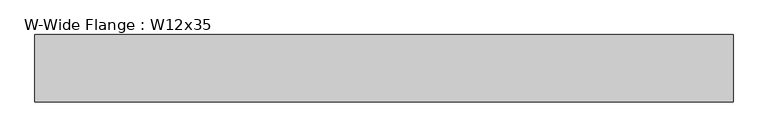
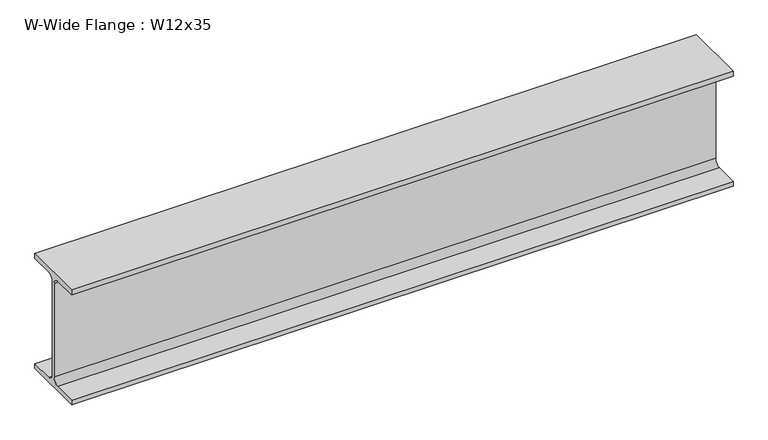
"""IFC4 building model written with IfcOpenShell, lengths in millimetres: beam geometry, W-Wide Flange : W12x35."""

from ifc_helpers import new_model, si_unit, point, frame, frame_2d, origin, place, context, project, spatial, polyline, circle_curve, trimmed, segment, composite_curve, outline, extrude, source, transform, mapped, element, save


def w_wide_flange_w12x35_80df42a0(model_context):
    return source(origin(), model_context, "Body", "SweptSolid", [
        extrude(outline(composite_curve([segment(polyline([(83.312, -145.542), (83.312, -158.75), (-83.312, -158.75), (-83.312, -145.542), (-20.7645, -145.542)]), True, "CONTINUOUS"), segment(trimmed(circle_curve(frame_2d((-20.7645, -128.5875)), 16.9545), [point((-20.7645, -145.542))], [point((-3.81, -128.5875))], True, "CARTESIAN"), True, "CONTINUOUS"), segment(polyline([(-3.81, -128.5875), (-3.81, 128.5875)]), True, "CONTINUOUS"), segment(trimmed(circle_curve(frame_2d((-20.7645, 128.5875)), 16.9545), [point((-3.81, 128.5875))], [point((-20.7645, 145.542))], True, "CARTESIAN"), True, "CONTINUOUS"), segment(polyline([(-20.7645, 145.542), (-83.312, 145.542), (-83.312, 158.75), (83.312, 158.75), (83.312, 145.542), (20.7645, 145.542)]), True, "CONTINUOUS"), segment(trimmed(circle_curve(frame_2d((20.7645, 128.5875)), 16.9545), [point((20.7645, 145.542))], [point((3.81, 128.5875))], True, "CARTESIAN"), True, "CONTINUOUS"), segment(polyline([(3.81, 128.5875), (3.81, -128.5875)]), True, "CONTINUOUS"), segment(trimmed(circle_curve(frame_2d((20.7645, -128.5875)), 16.9545), [point((3.81, -128.5875))], [point((20.7645, -145.542))], True, "CARTESIAN"), True, "CONTINUOUS"), segment(polyline([(20.7645, -145.542), (83.312, -145.542)]), True, "CONTINUOUS")], self_intersect=False)), frame((-829.183, 0.0, 0.0), z_axis=(1.0, 0.0, 0.0), x_axis=(0.0, 1.0, 0.0)), (0.0, 0.0, 1.0), 1728.089),
    ])


if __name__ == "__main__":
    model = new_model("IFC4")
    model_context = context("Model", 3, world=origin())
    ifc_project = project(units=[si_unit("LENGTHUNIT", "METRE", prefix="MILLI")], contexts=[model_context])
    site = spatial("IfcSite", under=ifc_project)
    building = spatial("IfcBuilding", under=site)
    placement = place(None, origin())
    w_wide_flange_w12x35_shape = w_wide_flange_w12x35_80df42a0(model_context)
    element("IfcBeam", 1, ObjectType="W-Wide Flange : W12x35", at=placement, inside=building, context=model_context, shape_type="MappedRepresentation", body=[
        mapped(w_wide_flange_w12x35_shape, transform((0.0, 0.0, 0.0), x_axis=(1.0, 0.0, 0.0), y_axis=(0.0, 1.0, 0.0), z_axis=(0.0, 0.0, 1.0))),
    ])
    save(model, "model.ifc")
